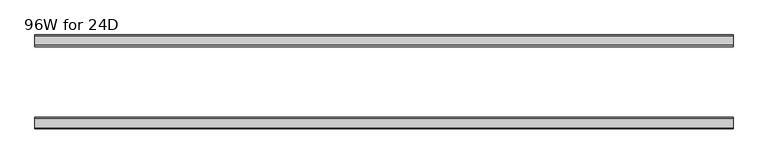
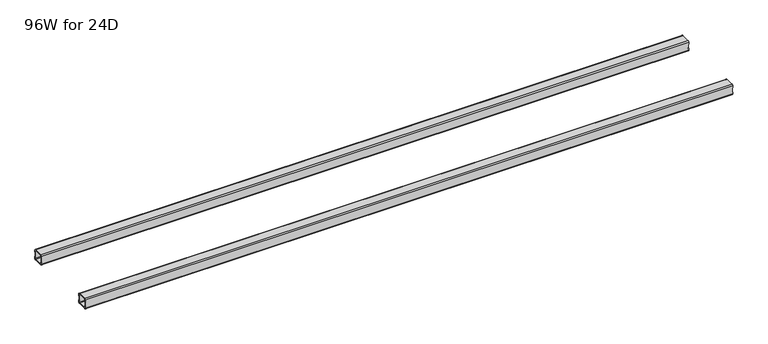
"""IFC4 building model written with IfcOpenShell, lengths in millimetres: furniture geometry, 96W for 24D."""

from ifc_helpers import new_model, si_unit, frame, origin, place, context, project, spatial, polyline, circle_curve, source, transform, mapped, element, save
from ifc_brep_helpers import plane_surface, cylinder_surface, revolved_surface, advanced_brep


def furniture_96w_for_24d_5510129e(model_context):
    return source(origin(), model_context, "Body", "AdvancedBrep", [
        advanced_brep(
        [(2413.4028, -438.5082, 307.276), (2413.4028, -440.5082, 305.276), (2413.4028, -472.5082, 305.276), (2413.4028, -474.5082, 307.276), (2413.4028, -474.5082, 314.776), (2413.4028, -476.5082, 314.776), (2413.4028, -476.5082, 307.276), (2413.4028, -472.5082, 303.276), (2413.4028, -440.5082, 303.276), (2413.4028, -436.5082, 307.276), (2413.4028, -436.5082, 314.776), (2413.4028, -438.5082, 314.776), (2413.4028, -474.5082, 338.9), (2413.4028, -472.5082, 340.9), (2413.4028, -440.5082, 340.9), (2413.4028, -438.5082, 338.9), (2413.4028, -438.5082, 331.4), (2413.4028, -436.5082, 331.4), (2413.4028, -436.5082, 338.9), (2413.4028, -440.5082, 342.9), (2413.4028, -472.5082, 342.9), (2413.4028, -476.5082, 338.9), (2413.4028, -476.5082, 331.4), (2413.4028, -474.5082, 331.4), (22.0, -438.5082, 338.9), (22.0, -440.5082, 340.9), (22.0, -472.5082, 340.9), (22.0, -474.5082, 338.9), (22.0, -474.5082, 331.4), (22.0, -476.5082, 331.4), (22.0, -476.5082, 338.9), (22.0, -472.5082, 342.9), (22.0, -440.5082, 342.9), (22.0, -436.5082, 338.9), (22.0, -436.5082, 331.4), (22.0, -438.5082, 331.4), (22.0, -474.5082, 307.276), (22.0, -472.5082, 305.276), (22.0, -440.5082, 305.276), (22.0, -438.5082, 307.276), (22.0, -438.5082, 314.776), (22.0, -436.5082, 314.776), (22.0, -436.5082, 307.276), (22.0, -440.5082, 303.276), (22.0, -472.5082, 303.276), (22.0, -476.5082, 307.276), (22.0, -476.5082, 314.776), (22.0, -474.5082, 314.776), (23.365, -474.5082, 314.776), (24.0, -474.5082, 315.411), (24.0, -474.5082, 330.765), (23.365, -474.5082, 331.4), (2412.0378, -474.5082, 331.4), (2411.4028, -474.5082, 330.765), (2411.4028, -474.5082, 315.411), (2412.0378, -474.5082, 314.776), (2412.0378, -438.5082, 314.776), (2411.4028, -438.5082, 315.411), (2411.4028, -438.5082, 330.765), (2412.0378, -438.5082, 331.4), (23.365, -438.5082, 331.4), (24.0, -438.5082, 330.765), (24.0, -438.5082, 315.411), (23.365, -438.5082, 314.776), (23.365, -476.5082, 331.4), (24.0, -476.5082, 330.765), (24.0, -476.5082, 315.411), (23.365, -476.5082, 314.776), (2412.0378, -476.5082, 314.776), (2411.4028, -476.5082, 315.411), (2411.4028, -476.5082, 330.765), (2412.0378, -476.5082, 331.4), (2412.0378, -436.5082, 331.4), (2411.4028, -436.5082, 330.765), (2411.4028, -436.5082, 315.411), (2412.0378, -436.5082, 314.776), (23.365, -436.5082, 314.776), (24.0, -436.5082, 315.411), (24.0, -436.5082, 330.765), (23.365, -436.5082, 331.4)],
        [
            (0, 1, circle_curve(frame((2413.4028, -440.5082, 307.276), z_axis=(-1.0, 0.0, 0.0), x_axis=(0.0, 1.0, 0.0)), 2.0)),
            (1, 2),
            (2, 3, circle_curve(frame((2413.4028, -472.5082, 307.276), z_axis=(-1.0, 0.0, 0.0), x_axis=(0.0, 1.0, 0.0)), 2.0)),
            (3, 4),
            (4, 5),
            (5, 6),
            (6, 7, circle_curve(frame((2413.4028, -472.5082, 307.276), z_axis=(1.0, 0.0, 0.0), x_axis=(0.0, 1.0, 0.0)), 4.0)),
            (7, 8),
            (8, 9, circle_curve(frame((2413.4028, -440.5082, 307.276), z_axis=(1.0, 0.0, 0.0), x_axis=(0.0, 1.0, 0.0)), 4.0)),
            (9, 10),
            (10, 11),
            (11, 0),
            (12, 13, circle_curve(frame((2413.4028, -472.5082, 338.9), z_axis=(-1.0, 0.0, 0.0), x_axis=(0.0, 1.0, 0.0)), 2.0)),
            (13, 14),
            (14, 15, circle_curve(frame((2413.4028, -440.5082, 338.9), z_axis=(-1.0, 0.0, 0.0), x_axis=(0.0, 1.0, 0.0)), 2.0)),
            (15, 16),
            (16, 17),
            (17, 18),
            (18, 19, circle_curve(frame((2413.4028, -440.5082, 338.9), z_axis=(1.0, 0.0, 0.0), x_axis=(0.0, 1.0, 0.0)), 4.0)),
            (19, 20),
            (20, 21, circle_curve(frame((2413.4028, -472.5082, 338.9), z_axis=(1.0, 0.0, 0.0), x_axis=(0.0, 1.0, 0.0)), 4.0)),
            (21, 22),
            (22, 23),
            (23, 12),
            (24, 25, circle_curve(frame((22.0, -440.5082, 338.9), z_axis=(1.0, 0.0, 0.0), x_axis=(0.0, 1.0, 0.0)), 2.0)),
            (25, 26),
            (26, 27, circle_curve(frame((22.0, -472.5082, 338.9), z_axis=(1.0, 0.0, 0.0), x_axis=(0.0, 1.0, 0.0)), 2.0)),
            (27, 28),
            (28, 29),
            (29, 30),
            (30, 31, circle_curve(frame((22.0, -472.5082, 338.9), z_axis=(-1.0, 0.0, 0.0), x_axis=(0.0, 1.0, 0.0)), 4.0)),
            (31, 32),
            (32, 33, circle_curve(frame((22.0, -440.5082, 338.9), z_axis=(-1.0, 0.0, 0.0), x_axis=(0.0, 1.0, 0.0)), 4.0)),
            (33, 34),
            (34, 35),
            (35, 24),
            (36, 37, circle_curve(frame((22.0, -472.5082, 307.276), z_axis=(1.0, 0.0, 0.0), x_axis=(0.0, 1.0, 0.0)), 2.0)),
            (37, 38),
            (38, 39, circle_curve(frame((22.0, -440.5082, 307.276), z_axis=(1.0, 0.0, 0.0), x_axis=(0.0, 1.0, 0.0)), 2.0)),
            (39, 40),
            (40, 41),
            (41, 42),
            (42, 43, circle_curve(frame((22.0, -440.5082, 307.276), z_axis=(-1.0, 0.0, 0.0), x_axis=(0.0, 1.0, 0.0)), 4.0)),
            (43, 44),
            (44, 45, circle_curve(frame((22.0, -472.5082, 307.276), z_axis=(-1.0, 0.0, 0.0), x_axis=(0.0, 1.0, 0.0)), 4.0)),
            (45, 46),
            (46, 47),
            (47, 36),
            (0, 39),
            (38, 1),
            (37, 2),
            (36, 3),
            (47, 48),
            (48, 49, circle_curve(frame((23.365, -474.5082, 315.411), z_axis=(0.0, -1.0, 0.0), x_axis=(1.0, 0.0, 0.0)), 0.635)),
            (49, 50),
            (50, 51, circle_curve(frame((23.365, -474.5082, 330.765), z_axis=(0.0, -1.0, 0.0), x_axis=(1.0, 0.0, 0.0)), 0.635)),
            (51, 28),
            (27, 12),
            (23, 52),
            (52, 53, circle_curve(frame((2412.0378, -474.5082, 330.765), z_axis=(0.0, -1.0, 0.0), x_axis=(1.0, 0.0, 0.0)), 0.635)),
            (53, 54),
            (54, 55, circle_curve(frame((2412.0378, -474.5082, 315.411), z_axis=(0.0, -1.0, 0.0), x_axis=(1.0, 0.0, 0.0)), 0.635)),
            (55, 4),
            (26, 13),
            (25, 14),
            (24, 15),
            (11, 56),
            (56, 57, circle_curve(frame((2412.0378, -438.5082, 315.411), z_axis=(0.0, 1.0, 0.0), x_axis=(1.0, 0.0, 0.0)), 0.635)),
            (57, 58),
            (58, 59, circle_curve(frame((2412.0378, -438.5082, 330.765), z_axis=(0.0, 1.0, 0.0), x_axis=(1.0, 0.0, 0.0)), 0.635)),
            (59, 16),
            (35, 60),
            (60, 61, circle_curve(frame((23.365, -438.5082, 330.765), z_axis=(0.0, 1.0, 0.0), x_axis=(1.0, 0.0, 0.0)), 0.635)),
            (61, 62),
            (62, 63, circle_curve(frame((23.365, -438.5082, 315.411), z_axis=(0.0, 1.0, 0.0), x_axis=(1.0, 0.0, 0.0)), 0.635)),
            (63, 40),
            (18, 33),
            (32, 19),
            (31, 20),
            (30, 21),
            (29, 64),
            (64, 65, circle_curve(frame((23.365, -476.5082, 330.765), z_axis=(0.0, 1.0, 0.0), x_axis=(1.0, 0.0, 0.0)), 0.635)),
            (65, 66),
            (66, 67, circle_curve(frame((23.365, -476.5082, 315.411), z_axis=(0.0, 1.0, 0.0), x_axis=(1.0, 0.0, 0.0)), 0.635)),
            (67, 46),
            (45, 6),
            (5, 68),
            (68, 69, circle_curve(frame((2412.0378, -476.5082, 315.411), z_axis=(0.0, 1.0, 0.0), x_axis=(1.0, 0.0, 0.0)), 0.635)),
            (69, 70),
            (70, 71, circle_curve(frame((2412.0378, -476.5082, 330.765), z_axis=(0.0, 1.0, 0.0), x_axis=(1.0, 0.0, 0.0)), 0.635)),
            (71, 22),
            (44, 7),
            (43, 8),
            (42, 9),
            (17, 72),
            (72, 73, circle_curve(frame((2412.0378, -436.5082, 330.765), z_axis=(0.0, -1.0, 0.0), x_axis=(1.0, 0.0, 0.0)), 0.635)),
            (73, 74),
            (74, 75, circle_curve(frame((2412.0378, -436.5082, 315.411), z_axis=(0.0, -1.0, 0.0), x_axis=(1.0, 0.0, 0.0)), 0.635)),
            (75, 10),
            (41, 76),
            (76, 77, circle_curve(frame((23.365, -436.5082, 315.411), z_axis=(0.0, -1.0, 0.0), x_axis=(1.0, 0.0, 0.0)), 0.635)),
            (77, 78),
            (78, 79, circle_curve(frame((23.365, -436.5082, 330.765), z_axis=(0.0, -1.0, 0.0), x_axis=(1.0, 0.0, 0.0)), 0.635)),
            (79, 34),
            (71, 52),
            (59, 72),
            (70, 53),
            (58, 73),
            (69, 54),
            (57, 74),
            (68, 55),
            (56, 75),
            (51, 64),
            (79, 60),
            (67, 48),
            (63, 76),
            (66, 49),
            (62, 77),
            (65, 50),
            (61, 78),
        ],
        [
            plane_surface(frame((2413.4028, -438.5082, 307.276), z_axis=(1.0, 0.0, 0.0), x_axis=(0.0, 0.0, -1.0))),
            plane_surface(frame((22.0, -438.5082, 307.276), z_axis=(-1.0, 0.0, 0.0), x_axis=(0.0, 0.0, 1.0))),
            revolved_surface(polyline([(22.0, -438.5082, 307.276), (2413.4028, -438.5082, 307.276)]), (22.0, -440.5082, 307.276), (-1.0, 0.0, 0.0)),
            plane_surface(frame((2413.4028, -440.5082, 305.276), z_axis=(0.0, -5.196493235738685e-12, 1.0), x_axis=(-1.0, 0.0, 0.0))),
            revolved_surface(polyline([(22.0, -470.5082, 307.276), (2413.4028, -470.5082, 307.276)]), (22.0, -472.5082, 307.276), (-1.0, 0.0, 0.0)),
            plane_surface(frame((2413.4028, -474.5082, 307.276), z_axis=(0.0, 1.0, 0.0), x_axis=(-1.0, 0.0, 0.0))),
            revolved_surface(polyline([(22.0, -470.5082, 338.9), (2413.4028, -470.5082, 338.9)]), (22.0, -472.5082, 338.9), (-1.0, 0.0, 0.0)),
            plane_surface(frame((2413.4028, -472.5082, 340.9), z_axis=(0.0, 0.0, -1.0), x_axis=(-1.0, 0.0, 0.0))),
            revolved_surface(polyline([(22.0, -438.5082, 338.9), (2413.4028, -438.5082, 338.9)]), (22.0, -440.5082, 338.9), (-1.0, 0.0, 0.0)),
            plane_surface(frame((2413.4028, -438.5082, 338.9), z_axis=(0.0, -1.0, 0.0), x_axis=(-1.0, 0.0, 0.0))),
            cylinder_surface(frame((0.0, -440.5082, 338.9), z_axis=(1.0, 0.0, 0.0), x_axis=(0.0, 1.0, 0.0)), 4.0),
            plane_surface(frame((2413.4028, -440.5082, 342.9), z_axis=(0.0, 0.0, 1.0), x_axis=(-1.0, 0.0, 0.0))),
            cylinder_surface(frame((0.0, -472.5082, 338.9), z_axis=(1.0, 0.0, 0.0), x_axis=(0.0, 1.0, 0.0)), 4.0),
            plane_surface(frame((2413.4028, -476.5082, 338.9), z_axis=(0.0, -1.0, 0.0), x_axis=(-1.0, 0.0, 0.0))),
            cylinder_surface(frame((0.0, -472.5082, 307.276), z_axis=(1.0, 0.0, 0.0), x_axis=(0.0, 1.0, 0.0)), 4.0),
            plane_surface(frame((2413.4028, -472.5082, 303.276), z_axis=(0.0, 0.0, -1.0), x_axis=(-1.0, 0.0, 0.0))),
            cylinder_surface(frame((0.0, -440.5082, 307.276), z_axis=(1.0, 0.0, 0.0), x_axis=(0.0, 1.0, 0.0)), 4.0),
            plane_surface(frame((2413.4028, -436.5082, 307.276), z_axis=(0.0, 1.0, -5.2518576384018155e-12), x_axis=(-1.0, 0.0, 0.0))),
            plane_surface(frame((2413.4028, -476.5082, 331.4), z_axis=(1.120549318800262e-11, 0.0, -1.0), x_axis=(0.0, 1.0, 0.0))),
            revolved_surface(polyline([(2412.6728000000003, -476.5082, 330.765), (2412.6728000000003, -474.5082, 330.765)]), (2412.0378, -436.5082, 330.765), (0.0, -1.0, 0.0)),
            revolved_surface(polyline([(2412.6728000000003, -438.5082, 330.765), (2412.6728000000003, -436.5082, 330.765)]), (2412.0378, -436.5082, 330.765), (0.0, -1.0, 0.0)),
            plane_surface(frame((2411.4028, -476.5082, 330.765), z_axis=(1.0, 0.0, 0.0), x_axis=(0.0, 1.0, 0.0))),
            revolved_surface(polyline([(2412.6728000000003, -476.5082, 315.411), (2412.6728000000003, -474.5082, 315.411)]), (2412.0378, -436.5082, 315.411), (0.0, -1.0, 0.0)),
            revolved_surface(polyline([(2412.6728000000003, -438.5082, 315.411), (2412.6728000000003, -436.5082, 315.411)]), (2412.0378, -436.5082, 315.411), (0.0, -1.0, 0.0)),
            plane_surface(frame((2412.0378, -476.5082, 314.776), z_axis=(0.0, 0.0, 1.0), x_axis=(0.0, 1.0, 0.0))),
            plane_surface(frame((23.365, -476.5082, 331.4), z_axis=(0.0, 0.0, -1.0), x_axis=(0.0, 1.0, 0.0))),
            plane_surface(frame((22.0, -476.5082, 314.776), z_axis=(-1.1453402329138697e-11, 0.0, 1.0), x_axis=(0.0, 1.0, 0.0))),
            revolved_surface(polyline([(24.0, -476.5082, 315.411), (24.0, -474.5082, 315.411)]), (23.365, -436.5082, 315.411), (0.0, -1.0, 0.0)),
            revolved_surface(polyline([(24.0, -438.5082, 315.411), (24.0, -436.5082, 315.411)]), (23.365, -436.5082, 315.411), (0.0, -1.0, 0.0)),
            plane_surface(frame((24.0, -476.5082, 315.411), z_axis=(-1.0, 0.0, 0.0), x_axis=(0.0, 1.0, 0.0))),
            revolved_surface(polyline([(24.0, -476.5082, 330.765), (24.0, -474.5082, 330.765)]), (23.365, -436.5082, 330.765), (0.0, -1.0, 0.0)),
            revolved_surface(polyline([(24.0, -438.5082, 330.765), (24.0, -436.5082, 330.765)]), (23.365, -436.5082, 330.765), (0.0, -1.0, 0.0)),
        ],
        [
            (0, [[1, 2, 3, 4, 5, 6, 7, 8, 9, 10, 11, 12]]),
            (0, [[13, 14, 15, 16, 17, 18, 19, 20, 21, 22, 23, 24]]),
            (1, [[25, 26, 27, 28, 29, 30, 31, 32, 33, 34, 35, 36]]),
            (1, [[37, 38, 39, 40, 41, 42, 43, 44, 45, 46, 47, 48]]),
            (2, [[-1, 49, -39, 50]]),
            (3, [[-2, -50, -38, 51]]),
            (4, [[-3, -51, -37, 52]]),
            (5, [[-52, -48, 53, 54, 55, 56, 57, -28, 58, -24, 59, 60, 61, 62, 63, -4]]),
            (6, [[-13, -58, -27, 64]]),
            (7, [[-14, -64, -26, 65]]),
            (8, [[-15, -65, -25, 66]]),
            (9, [[-49, -12, 67, 68, 69, 70, 71, -16, -66, -36, 72, 73, 74, 75, 76, -40]]),
            (10, [[-19, 77, -33, 78]]),
            (11, [[-20, -78, -32, 79]]),
            (12, [[-21, -79, -31, 80]]),
            (13, [[-80, -30, 81, 82, 83, 84, 85, -46, 86, -6, 87, 88, 89, 90, 91, -22]]),
            (14, [[-7, -86, -45, 92]]),
            (15, [[-8, -92, -44, 93]]),
            (16, [[-9, -93, -43, 94]]),
            (17, [[-77, -18, 95, 96, 97, 98, 99, -10, -94, -42, 100, 101, 102, 103, 104, -34]]),
            (18, [[105, -59, -23, -91]]),
            (18, [[106, -95, -17, -71]]),
            (19, [[-105, -90, 107, -60]]),
            (20, [[-106, -70, 108, -96]]),
            (21, [[-107, -89, 109, -61]]),
            (21, [[-108, -69, 110, -97]]),
            (22, [[-109, -88, 111, -62]]),
            (23, [[-110, -68, 112, -98]]),
            (24, [[-111, -87, -5, -63]]),
            (24, [[-112, -67, -11, -99]]),
            (25, [[113, -81, -29, -57]]),
            (25, [[114, -72, -35, -104]]),
            (26, [[115, -53, -47, -85]]),
            (26, [[116, -100, -41, -76]]),
            (27, [[-115, -84, 117, -54]]),
            (28, [[-116, -75, 118, -101]]),
            (29, [[-117, -83, 119, -55]]),
            (29, [[-118, -74, 120, -102]]),
            (30, [[-113, -56, -119, -82]]),
            (31, [[-114, -103, -120, -73]]),
        ],
    ),
        advanced_brep(
        [(2413.4028, -192.9996202, 338.9), (2413.4028, -190.9996202, 340.9), (2413.4028, -159.0003798, 340.9), (2413.4028, -157.0003798, 338.9), (2413.4028, -157.0003798, 331.4), (2413.4028, -155.0003798, 331.4), (2413.4028, -155.0003798, 338.9), (2413.4028, -159.0003798, 342.9), (2413.4028, -190.9996202, 342.9), (2413.4028, -194.9996202, 338.9), (2413.4028, -194.9996202, 331.4), (2413.4028, -192.9996202, 331.4), (2413.4028, -157.0003798, 307.276), (2413.4028, -159.0003798, 305.276), (2413.4028, -190.9996202, 305.276), (2413.4028, -192.9996202, 307.276), (2413.4028, -192.9996202, 314.776), (2413.4028, -194.9996202, 314.776), (2413.4028, -194.9996202, 307.276), (2413.4028, -190.9996202, 303.276), (2413.4028, -159.0003798, 303.276), (2413.4028, -155.0003798, 307.276), (2413.4028, -155.0003798, 314.776), (2413.4028, -157.0003798, 314.776), (22.0, -192.9996202, 307.276), (22.0, -190.9996202, 305.276), (22.0, -159.0003798, 305.276), (22.0, -157.0003798, 307.276), (22.0, -157.0003798, 314.776), (22.0, -155.0003798, 314.776), (22.0, -155.0003798, 307.276), (22.0, -159.0003798, 303.276), (22.0, -190.9996202, 303.276), (22.0, -194.9996202, 307.276), (22.0, -194.9996202, 314.776), (22.0, -192.9996202, 314.776), (22.0, -157.0003798, 338.9), (22.0, -159.0003798, 340.9), (22.0, -190.9996202, 340.9), (22.0, -192.9996202, 338.9), (22.0, -192.9996202, 331.4), (22.0, -194.9996202, 331.4), (22.0, -194.9996202, 338.9), (22.0, -190.9996202, 342.9), (22.0, -159.0003798, 342.9), (22.0, -155.0003798, 338.9), (22.0, -155.0003798, 331.4), (22.0, -157.0003798, 331.4), (2412.0378, -157.0003798, 314.776), (2411.4028, -157.0003798, 315.411), (2411.4028, -157.0003798, 330.765), (2412.0378, -157.0003798, 331.4), (23.365, -157.0003798, 331.4), (24.0, -157.0003798, 330.765), (24.0, -157.0003798, 315.411), (23.365, -157.0003798, 314.776), (23.365, -192.9996202, 314.776), (24.0, -192.9996202, 315.411), (24.0, -192.9996202, 330.765), (23.365, -192.9996202, 331.4), (2412.0378, -192.9996202, 331.4), (2411.4028, -192.9996202, 330.765), (2411.4028, -192.9996202, 315.411), (2412.0378, -192.9996202, 314.776), (2412.0378, -155.0003798, 331.4), (2411.4028, -155.0003798, 330.765), (2411.4028, -155.0003798, 315.411), (2412.0378, -155.0003798, 314.776), (23.365, -155.0003798, 314.776), (24.0, -155.0003798, 315.411), (24.0, -155.0003798, 330.765), (23.365, -155.0003798, 331.4), (23.365, -194.9996202, 331.4), (24.0, -194.9996202, 330.765), (24.0, -194.9996202, 315.411), (23.365, -194.9996202, 314.776), (2412.0378, -194.9996202, 314.776), (2411.4028, -194.9996202, 315.411), (2411.4028, -194.9996202, 330.765), (2412.0378, -194.9996202, 331.4)],
        [
            (0, 1, circle_curve(frame((2413.4028, -190.9996202, 338.9), z_axis=(-1.0, 0.0, 0.0), x_axis=(0.0, -1.0, 0.0)), 2.0)),
            (1, 2),
            (2, 3, circle_curve(frame((2413.4028, -159.0003798, 338.9), z_axis=(-1.0, 0.0, 0.0), x_axis=(0.0, -1.0, 0.0)), 2.0)),
            (3, 4),
            (4, 5),
            (5, 6),
            (6, 7, circle_curve(frame((2413.4028, -159.0003798, 338.9), z_axis=(1.0, 0.0, 0.0), x_axis=(0.0, -1.0, 0.0)), 4.0)),
            (7, 8),
            (8, 9, circle_curve(frame((2413.4028, -190.9996202, 338.9), z_axis=(1.0, 0.0, 0.0), x_axis=(0.0, -1.0, 0.0)), 4.0)),
            (9, 10),
            (10, 11),
            (11, 0),
            (12, 13, circle_curve(frame((2413.4028, -159.0003798, 307.276), z_axis=(-1.0, 0.0, 0.0), x_axis=(0.0, -1.0, 0.0)), 2.0)),
            (13, 14),
            (14, 15, circle_curve(frame((2413.4028, -190.9996202, 307.276), z_axis=(-1.0, 0.0, 0.0), x_axis=(0.0, -1.0, 0.0)), 2.0)),
            (15, 16),
            (16, 17),
            (17, 18),
            (18, 19, circle_curve(frame((2413.4028, -190.9996202, 307.276), z_axis=(1.0, 0.0, 0.0), x_axis=(0.0, -1.0, 0.0)), 4.0)),
            (19, 20),
            (20, 21, circle_curve(frame((2413.4028, -159.0003798, 307.276), z_axis=(1.0, 0.0, 0.0), x_axis=(0.0, -1.0, 0.0)), 4.0)),
            (21, 22),
            (22, 23),
            (23, 12),
            (24, 25, circle_curve(frame((22.0, -190.9996202, 307.276), z_axis=(1.0, 0.0, 0.0), x_axis=(0.0, -1.0, 0.0)), 2.0)),
            (25, 26),
            (26, 27, circle_curve(frame((22.0, -159.0003798, 307.276), z_axis=(1.0, 0.0, 0.0), x_axis=(0.0, -1.0, 0.0)), 2.0)),
            (27, 28),
            (28, 29),
            (29, 30),
            (30, 31, circle_curve(frame((22.0, -159.0003798, 307.276), z_axis=(-1.0, 0.0, 0.0), x_axis=(0.0, -1.0, 0.0)), 4.0)),
            (31, 32),
            (32, 33, circle_curve(frame((22.0, -190.9996202, 307.276), z_axis=(-1.0, 0.0, 0.0), x_axis=(0.0, -1.0, 0.0)), 4.0)),
            (33, 34),
            (34, 35),
            (35, 24),
            (36, 37, circle_curve(frame((22.0, -159.0003798, 338.9), z_axis=(1.0, 0.0, 0.0), x_axis=(0.0, -1.0, 0.0)), 2.0)),
            (37, 38),
            (38, 39, circle_curve(frame((22.0, -190.9996202, 338.9), z_axis=(1.0, 0.0, 0.0), x_axis=(0.0, -1.0, 0.0)), 2.0)),
            (39, 40),
            (40, 41),
            (41, 42),
            (42, 43, circle_curve(frame((22.0, -190.9996202, 338.9), z_axis=(-1.0, 0.0, 0.0), x_axis=(0.0, -1.0, 0.0)), 4.0)),
            (43, 44),
            (44, 45, circle_curve(frame((22.0, -159.0003798, 338.9), z_axis=(-1.0, 0.0, 0.0), x_axis=(0.0, -1.0, 0.0)), 4.0)),
            (45, 46),
            (46, 47),
            (47, 36),
            (14, 25),
            (24, 15),
            (13, 26),
            (12, 27),
            (23, 48),
            (48, 49, circle_curve(frame((2412.0378, -157.0003798, 315.411), z_axis=(0.0, 1.0, 0.0), x_axis=(1.0, 0.0, 0.0)), 0.635)),
            (49, 50),
            (50, 51, circle_curve(frame((2412.0378, -157.0003798, 330.765), z_axis=(0.0, 1.0, 0.0), x_axis=(1.0, 0.0, 0.0)), 0.635)),
            (51, 4),
            (3, 36),
            (47, 52),
            (52, 53, circle_curve(frame((23.365, -157.0003798, 330.765), z_axis=(0.0, 1.0, 0.0), x_axis=(1.0, 0.0, 0.0)), 0.635)),
            (53, 54),
            (54, 55, circle_curve(frame((23.365, -157.0003798, 315.411), z_axis=(0.0, 1.0, 0.0), x_axis=(1.0, 0.0, 0.0)), 0.635)),
            (55, 28),
            (2, 37),
            (1, 38),
            (0, 39),
            (35, 56),
            (56, 57, circle_curve(frame((23.365, -192.9996202, 315.411), z_axis=(0.0, -1.0, 0.0), x_axis=(1.0, 0.0, 0.0)), 0.635)),
            (57, 58),
            (58, 59, circle_curve(frame((23.365, -192.9996202, 330.765), z_axis=(0.0, -1.0, 0.0), x_axis=(1.0, 0.0, 0.0)), 0.635)),
            (59, 40),
            (11, 60),
            (60, 61, circle_curve(frame((2412.0378, -192.9996202, 330.765), z_axis=(0.0, -1.0, 0.0), x_axis=(1.0, 0.0, 0.0)), 0.635)),
            (61, 62),
            (62, 63, circle_curve(frame((2412.0378, -192.9996202, 315.411), z_axis=(0.0, -1.0, 0.0), x_axis=(1.0, 0.0, 0.0)), 0.635)),
            (63, 16),
            (8, 43),
            (42, 9),
            (7, 44),
            (6, 45),
            (5, 64),
            (64, 65, circle_curve(frame((2412.0378, -155.0003798, 330.765), z_axis=(0.0, -1.0, 0.0), x_axis=(1.0, 0.0, 0.0)), 0.635)),
            (65, 66),
            (66, 67, circle_curve(frame((2412.0378, -155.0003798, 315.411), z_axis=(0.0, -1.0, 0.0), x_axis=(1.0, 0.0, 0.0)), 0.635)),
            (67, 22),
            (21, 30),
            (29, 68),
            (68, 69, circle_curve(frame((23.365, -155.0003798, 315.411), z_axis=(0.0, -1.0, 0.0), x_axis=(1.0, 0.0, 0.0)), 0.635)),
            (69, 70),
            (70, 71, circle_curve(frame((23.365, -155.0003798, 330.765), z_axis=(0.0, -1.0, 0.0), x_axis=(1.0, 0.0, 0.0)), 0.635)),
            (71, 46),
            (20, 31),
            (19, 32),
            (18, 33),
            (41, 72),
            (72, 73, circle_curve(frame((23.365, -194.9996202, 330.765), z_axis=(0.0, 1.0, 0.0), x_axis=(1.0, 0.0, 0.0)), 0.635)),
            (73, 74),
            (74, 75, circle_curve(frame((23.365, -194.9996202, 315.411), z_axis=(0.0, 1.0, 0.0), x_axis=(1.0, 0.0, 0.0)), 0.635)),
            (75, 34),
            (17, 76),
            (76, 77, circle_curve(frame((2412.0378, -194.9996202, 315.411), z_axis=(0.0, 1.0, 0.0), x_axis=(1.0, 0.0, 0.0)), 0.635)),
            (77, 78),
            (78, 79, circle_curve(frame((2412.0378, -194.9996202, 330.765), z_axis=(0.0, 1.0, 0.0), x_axis=(1.0, 0.0, 0.0)), 0.635)),
            (79, 10),
            (51, 64),
            (79, 60),
            (50, 65),
            (78, 61),
            (49, 66),
            (77, 62),
            (48, 67),
            (76, 63),
            (71, 52),
            (59, 72),
            (55, 68),
            (75, 56),
            (54, 69),
            (74, 57),
            (53, 70),
            (73, 58),
        ],
        [
            plane_surface(frame((2413.4028, -192.9996202, 338.9), z_axis=(1.0, 0.0, 0.0), x_axis=(0.0, 0.0, 1.0))),
            plane_surface(frame((22.0, -192.9996202, 338.9), z_axis=(-1.0, 0.0, 0.0), x_axis=(0.0, 0.0, -1.0))),
            revolved_surface(polyline([(22.0, -192.9996202, 307.276), (2413.4028, -192.9996202, 307.276)]), (22.0, -190.9996202, 307.276), (-1.0, 0.0, 0.0)),
            plane_surface(frame((2413.4028, -159.0003798, 305.276), z_axis=(0.0, -1.0173270604597604e-12, 1.0), x_axis=(-1.0, 0.0, 0.0))),
            revolved_surface(polyline([(22.0, -161.0003798, 307.276), (2413.4028, -161.0003798, 307.276)]), (22.0, -159.0003798, 307.276), (-1.0, 0.0, 0.0)),
            plane_surface(frame((2413.4028, -157.0003798, 338.9), z_axis=(0.0, -1.0, 0.0), x_axis=(-1.0, 0.0, 0.0))),
            revolved_surface(polyline([(22.0, -161.0003798, 338.9), (2413.4028, -161.0003798, 338.9)]), (22.0, -159.0003798, 338.9), (-1.0, 0.0, 0.0)),
            plane_surface(frame((2413.4028, -190.9996202, 340.9), z_axis=(0.0, 0.0, -1.0), x_axis=(-1.0, 0.0, 0.0))),
            revolved_surface(polyline([(22.0, -192.9996202, 338.9), (2413.4028, -192.9996202, 338.9)]), (22.0, -190.9996202, 338.9), (-1.0, 0.0, 0.0)),
            plane_surface(frame((2413.4028, -192.9996202, 307.276), z_axis=(0.0, 1.0, 0.0), x_axis=(-1.0, 0.0, 0.0))),
            cylinder_surface(frame((0.0, -190.9996202, 338.9), z_axis=(1.0, 0.0, 0.0), x_axis=(0.0, -1.0, 0.0)), 4.0),
            plane_surface(frame((2413.4028, -159.0003798, 342.9), z_axis=(0.0, 0.0, 1.0), x_axis=(-1.0, 0.0, 0.0))),
            cylinder_surface(frame((0.0, -159.0003798, 338.9), z_axis=(1.0, 0.0, 0.0), x_axis=(0.0, -1.0, 0.0)), 4.0),
            plane_surface(frame((2413.4028, -155.0003798, 307.276), z_axis=(0.0, 1.0, 0.0), x_axis=(-1.0, 0.0, 0.0))),
            cylinder_surface(frame((0.0, -159.0003798, 307.276), z_axis=(1.0, 0.0, 0.0), x_axis=(0.0, -1.0, 0.0)), 4.0),
            plane_surface(frame((2413.4028, -190.9996202, 303.276), z_axis=(0.0, 0.0, -1.0), x_axis=(-1.0, 0.0, 0.0))),
            cylinder_surface(frame((0.0, -190.9996202, 307.276), z_axis=(1.0, 0.0, 0.0), x_axis=(0.0, -1.0, 0.0)), 4.0),
            plane_surface(frame((2413.4028, -194.9996202, 338.9), z_axis=(0.0, -1.0, 1.0326085209912824e-12), x_axis=(-1.0, 0.0, 0.0))),
            plane_surface(frame((2412.0378, -155.0003798, 331.4), z_axis=(-8.800774516256723e-11, 0.0, -1.0), x_axis=(0.0, -1.0, 0.0))),
            revolved_surface(polyline([(2412.6728000000003, -155.0003798, 330.765), (2412.6728000000003, -157.0003798, 330.765)]), (2412.0378, -194.9996202, 330.765), (0.0, 1.0, 0.0)),
            revolved_surface(polyline([(2412.6728000000003, -192.9996202, 330.765), (2412.6728000000003, -194.9996202, 330.765)]), (2412.0378, -194.9996202, 330.765), (0.0, 1.0, 0.0)),
            plane_surface(frame((2411.4028, -155.0003798, 315.411), z_axis=(1.0, 0.0, 7.581621492717016e-12), x_axis=(0.0, -1.0, 0.0))),
            revolved_surface(polyline([(2412.6728000000003, -155.0003798, 315.411), (2412.6728000000003, -157.0003798, 315.411)]), (2412.0378, -194.9996202, 315.411), (0.0, 1.0, 0.0)),
            revolved_surface(polyline([(2412.6728000000003, -192.9996202, 315.411), (2412.6728000000003, -194.9996202, 315.411)]), (2412.0378, -194.9996202, 315.411), (0.0, 1.0, 0.0)),
            plane_surface(frame((2413.4028, -155.0003798, 314.776), z_axis=(0.0, 0.0, 1.0), x_axis=(0.0, -1.0, 0.0))),
            plane_surface(frame((22.0, -155.0003798, 331.4), z_axis=(0.0, 0.0, -1.0), x_axis=(0.0, -1.0, 0.0))),
            plane_surface(frame((23.365, -155.0003798, 314.776), z_axis=(-5.220966516710678e-11, 0.0, 1.0), x_axis=(0.0, -1.0, 0.0))),
            revolved_surface(polyline([(24.0, -155.0003798, 315.411), (24.0, -157.0003798, 315.411)]), (23.365, -194.9996202, 315.411), (0.0, 1.0, 0.0)),
            revolved_surface(polyline([(24.0, -192.9996202, 315.411), (24.0, -194.9996202, 315.411)]), (23.365, -194.9996202, 315.411), (0.0, 1.0, 0.0)),
            plane_surface(frame((24.0, -155.0003798, 330.765), z_axis=(-1.0, 0.0, 3.528539537747653e-12), x_axis=(0.0, -1.0, 0.0))),
            revolved_surface(polyline([(24.0, -155.0003798, 330.765), (24.0, -157.0003798, 330.765)]), (23.365, -194.9996202, 330.765), (0.0, 1.0, 0.0)),
            revolved_surface(polyline([(24.0, -192.9996202, 330.765), (24.0, -194.9996202, 330.765)]), (23.365, -194.9996202, 330.765), (0.0, 1.0, 0.0)),
        ],
        [
            (0, [[1, 2, 3, 4, 5, 6, 7, 8, 9, 10, 11, 12]]),
            (0, [[13, 14, 15, 16, 17, 18, 19, 20, 21, 22, 23, 24]]),
            (1, [[25, 26, 27, 28, 29, 30, 31, 32, 33, 34, 35, 36]]),
            (1, [[37, 38, 39, 40, 41, 42, 43, 44, 45, 46, 47, 48]]),
            (2, [[-15, 49, -25, 50]]),
            (3, [[-14, 51, -26, -49]]),
            (4, [[-13, 52, -27, -51]]),
            (5, [[-52, -24, 53, 54, 55, 56, 57, -4, 58, -48, 59, 60, 61, 62, 63, -28]]),
            (6, [[-3, 64, -37, -58]]),
            (7, [[-2, 65, -38, -64]]),
            (8, [[-1, 66, -39, -65]]),
            (9, [[-50, -36, 67, 68, 69, 70, 71, -40, -66, -12, 72, 73, 74, 75, 76, -16]]),
            (10, [[-9, 77, -43, 78]]),
            (11, [[-8, 79, -44, -77]]),
            (12, [[-7, 80, -45, -79]]),
            (13, [[-80, -6, 81, 82, 83, 84, 85, -22, 86, -30, 87, 88, 89, 90, 91, -46]]),
            (14, [[-21, 92, -31, -86]]),
            (15, [[-20, 93, -32, -92]]),
            (16, [[-19, 94, -33, -93]]),
            (17, [[-78, -42, 95, 96, 97, 98, 99, -34, -94, -18, 100, 101, 102, 103, 104, -10]]),
            (18, [[105, -81, -5, -57]]),
            (18, [[106, -72, -11, -104]]),
            (19, [[-105, -56, 107, -82]]),
            (20, [[-106, -103, 108, -73]]),
            (21, [[-107, -55, 109, -83]]),
            (21, [[-108, -102, 110, -74]]),
            (22, [[-109, -54, 111, -84]]),
            (23, [[-110, -101, 112, -75]]),
            (24, [[-111, -53, -23, -85]]),
            (24, [[-112, -100, -17, -76]]),
            (25, [[113, -59, -47, -91]]),
            (25, [[114, -95, -41, -71]]),
            (26, [[115, -87, -29, -63]]),
            (26, [[116, -67, -35, -99]]),
            (27, [[-115, -62, 117, -88]]),
            (28, [[-116, -98, 118, -68]]),
            (29, [[-117, -61, 119, -89]]),
            (29, [[-118, -97, 120, -69]]),
            (30, [[-119, -60, -113, -90]]),
            (31, [[-120, -96, -114, -70]]),
        ],
    ),
    ])


if __name__ == "__main__":
    model = new_model("IFC4")
    model_context = context("Model", 3, world=origin())
    ifc_project = project(units=[si_unit("LENGTHUNIT", "METRE", prefix="MILLI")], contexts=[model_context])
    site = spatial("IfcSite", under=ifc_project)
    building = spatial("IfcBuilding", under=site)
    placement = place(None, origin())
    furniture_96w_for_24d_shape = furniture_96w_for_24d_5510129e(model_context)
    element("IfcFurniture", 1, ObjectType="96W for 24D", at=placement, inside=building, context=model_context, shape_type="MappedRepresentation", body=[
        mapped(furniture_96w_for_24d_shape, transform((0.0, 0.0, 0.0), x_axis=(1.0, 0.0, 0.0), y_axis=(0.0, 1.0, 0.0), z_axis=(0.0, 0.0, 1.0))),
    ])
    save(model, "model.ifc")
